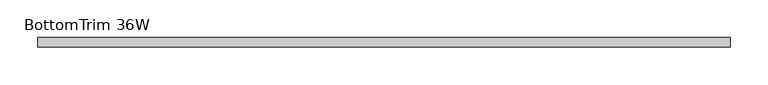
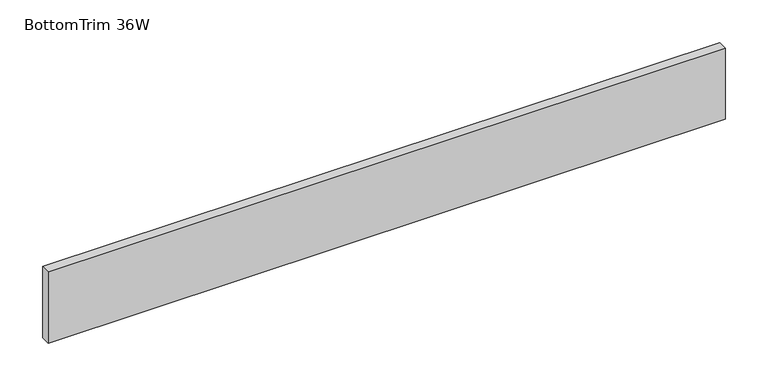
"""IFC4 building model written with IfcOpenShell, lengths in millimetres: furniture geometry, BottomTrim 36W."""

from ifc_helpers import new_model, si_unit, frame, origin, place, context, project, spatial, polyline, outline, extrude, source, transform, mapped, element, save


def bottomtrim_36w_9c62262f(model_context):
    return source(origin(), model_context, "Body", "SweptSolid", [
        extrude(outline(polyline([(0.0, -50.8000015), (0.0, -38.1), (914.4, -38.1), (914.4, -50.8000015), (0.0, -50.8000015)])), frame((0.0, 0.0, 25.4), z_axis=(0.0, 0.0, 1.0), x_axis=(1.0, 0.0, 0.0)), (0.0, 0.0, 1.0), 101.600003),
    ])


if __name__ == "__main__":
    model = new_model("IFC4")
    model_context = context("Model", 3, world=origin())
    ifc_project = project(units=[si_unit("LENGTHUNIT", "METRE", prefix="MILLI")], contexts=[model_context])
    site = spatial("IfcSite", under=ifc_project)
    building = spatial("IfcBuilding", under=site)
    placement = place(None, origin())
    bottomtrim_36w_shape = bottomtrim_36w_9c62262f(model_context)
    element("IfcFurniture", 1, ObjectType="BottomTrim 36W", at=placement, inside=building, context=model_context, shape_type="MappedRepresentation", body=[
        mapped(bottomtrim_36w_shape, transform((0.0, 0.0, 0.0), x_axis=(1.0, 0.0, 0.0), y_axis=(0.0, 1.0, 0.0), z_axis=(0.0, 0.0, 1.0))),
    ])
    save(model, "model.ifc")
